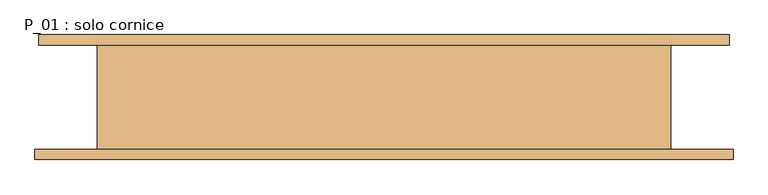
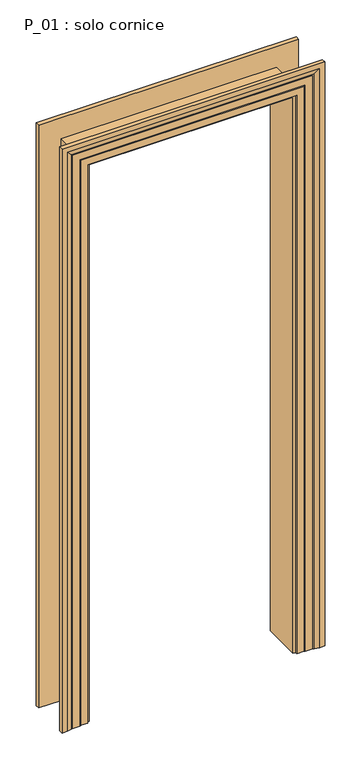
"""IFC4 building model written with IfcOpenShell, lengths in millimetres: door geometry, P_01 : solo cornice."""

import ifcopenshell
import ifcopenshell.guid

model = None  # the IFC model being written
_history = None  # IfcOwnerHistory: only IFC2X3 demands one
_inside = {}  # id of a spatial element -> (the spatial element, [elements in it])
_under = {}  # id of a project, library or spatial element -> (it, [spatial elements below it])
_declared = {}  # id of a project -> (the project, [libraries it declares])
_typed = {}  # id of a type object -> (the type object, [elements of that type])
_made_of = {}  # id of a material, layer set ... -> (it, [elements and type objects made of it])


def new_model(schema):
    """Start an empty IFC model of exactly this schema.

    Asked for "IFC4X3", IfcOpenShell would pick the latest addendum, in which some entities
    have other attributes; the version numbers below select the first issue.
    IFC2X3 requires an IfcOwnerHistory on every rooted entity: one is made here for all.
    """
    global model, _history
    if schema == "IFC4X3":
        model = ifcopenshell.file(schema_version=(4, 3, 0, 0))
    else:
        model = ifcopenshell.file(schema=schema)
    _inside.clear()
    _under.clear()
    _declared.clear()
    _typed.clear()
    _made_of.clear()
    _history = None
    if model.schema == "IFC2X3":
        org = make("IfcOrganization", Name="unknown")
        user = make(
            "IfcPersonAndOrganization",
            ThePerson=make("IfcPerson", FamilyName="unknown"),
            TheOrganization=org,
        )
        app = make(
            "IfcApplication",
            ApplicationDeveloper=org,
            Version="unknown",
            ApplicationFullName="unknown",
            ApplicationIdentifier="unknown",
        )
        _history = make(
            "IfcOwnerHistory",
            OwningUser=user,
            OwningApplication=app,
            ChangeAction="ADDED",
            CreationDate=0,
        )
    return model


def make(cls, **values):
    """One entity of the class cls with the attributes given. An attribute that is None is left unset."""
    return model.create_entity(
        cls, **{name: value for name, value in values.items() if value is not None}
    )


def rooted(cls, **values):
    """An entity with a GlobalId (a new one), such as an element, a storey or a relation."""
    return make(cls, GlobalId=ifcopenshell.guid.new(), OwnerHistory=_history, **values)


def si_unit(unit_type, name, prefix=None):
    """IfcSIUnit, for example si_unit("LENGTHUNIT", "METRE", prefix="MILLI")."""
    return make("IfcSIUnit", UnitType=unit_type, Prefix=prefix, Name=name)


def assignment(units):
    """IfcUnitAssignment: the units of a project."""
    return None if units is None else make("IfcUnitAssignment", Units=units)


def point(xyz):
    """IfcCartesianPoint."""
    return None if xyz is None else make("IfcCartesianPoint", Coordinates=xyz)


def direction(xyz):
    """IfcDirection."""
    return None if xyz is None else make("IfcDirection", DirectionRatios=xyz)


def frame(location, z_axis=None, x_axis=None):
    """IfcAxis2Placement3D, a coordinate frame: its origin and axes. An axis left out is left unset."""
    return make(
        "IfcAxis2Placement3D",
        Location=point(location),
        Axis=direction(z_axis),
        RefDirection=direction(x_axis),
    )


def origin():
    """The frame at (0, 0, 0) with its axes left unset."""
    return frame((0.0, 0.0, 0.0))


def place(relative_to, where):
    """IfcLocalPlacement: puts the frame where relative to a parent placement (None: the world)."""
    return make(
        "IfcLocalPlacement", PlacementRelTo=relative_to, RelativePlacement=where
    )


def context(
    kind, dimensions, precision=None, world=None, true_north=None, identifier=None
):
    """IfcGeometricRepresentationContext, for example the 3D "Model" context."""
    return make(
        "IfcGeometricRepresentationContext",
        ContextIdentifier=identifier,
        ContextType=kind,
        CoordinateSpaceDimension=dimensions,
        Precision=precision,
        WorldCoordinateSystem=world,
        TrueNorth=true_north,
    )


def project(units=None, contexts=None):
    """IfcProject with its units and contexts."""
    return rooted(
        "IfcProject",
        Name="project",
        RepresentationContexts=contexts,
        UnitsInContext=assignment(units),
    )


def spatial(cls, under=None, at=None, **own):
    """A site, building, storey or space (cls), placed at a placement, below another one or the project."""
    s = rooted(cls, ObjectPlacement=at, **own)
    if under is not None:
        _under.setdefault(under.id(), (under, []))[1].append(s)
    return s


def faces_of(points, faces, orient=None, outer=None):
    """IfcFace entities. A face is a list of loops; a loop is a list of indices into points, from 0.

    orient and outer hold one flag for each loop. By default every Orientation is true, the
    first loop of a face is its IfcFaceOuterBound and the others are IfcFaceBound.
    """
    made = []
    for i, loops in enumerate(faces):
        bounds = []
        for j, loop in enumerate(loops):
            is_outer = j == 0 if outer is None else outer[i][j]
            bounds.append(
                make(
                    "IfcFaceOuterBound" if is_outer else "IfcFaceBound",
                    Bound=make("IfcPolyLoop", Polygon=[points[k] for k in loop]),
                    Orientation=True if orient is None else orient[i][j],
                )
            )
        made.append(make("IfcFace", Bounds=bounds))
    return made


def faceted_brep(points, faces, orient=None, outer=None, voids=None):
    """IfcFacetedBrep: a solid bounded by flat faces; with voids (closed shells), ...WithVoids."""
    shared = [point(p) for p in points]
    hull = make("IfcClosedShell", CfsFaces=faces_of(shared, faces, orient, outer))
    if voids is None:
        return make("IfcFacetedBrep", Outer=hull)
    return make(
        "IfcFacetedBrepWithVoids",
        Outer=hull,
        Voids=[
            make(cls, CfsFaces=faces_of(shared, fs, o, b)) for cls, fs, o, b in voids
        ],
    )


def shape(context_of_items, identifier, shape_type, items):
    """IfcShapeRepresentation: the items that make up one representation, for example the "Body"."""
    return make(
        "IfcShapeRepresentation",
        ContextOfItems=context_of_items,
        RepresentationIdentifier=identifier,
        RepresentationType=shape_type,
        Items=items,
    )


def source(mapping_origin, context_of_items, identifier, shape_type, items):
    """IfcRepresentationMap: a shape defined once, which mapped items show again and again."""
    return make(
        "IfcRepresentationMap",
        MappingOrigin=mapping_origin,
        MappedRepresentation=shape(context_of_items, identifier, shape_type, items),
    )


def transform(
    local_origin,
    x_axis=None,
    y_axis=None,
    z_axis=None,
    scale=None,
    scale2=None,
    scale3=None,
    uniform=True,
):
    """IfcCartesianTransformationOperator3D, or its non-uniform kind. x_axis, y_axis, z_axis: its Axis1, 2, 3."""
    if uniform:
        return make(
            "IfcCartesianTransformationOperator3D",
            Axis1=direction(x_axis),
            Axis2=direction(y_axis),
            LocalOrigin=point(local_origin),
            Scale=scale,
            Axis3=direction(z_axis),
        )
    return make(
        "IfcCartesianTransformationOperator3DnonUniform",
        Axis1=direction(x_axis),
        Axis2=direction(y_axis),
        LocalOrigin=point(local_origin),
        Scale=scale,
        Axis3=direction(z_axis),
        Scale2=scale2,
        Scale3=scale3,
    )


def mapped(mapping_source, mapping_target):
    """IfcMappedItem: shows the shape of a source again, moved by a transform."""
    return make(
        "IfcMappedItem", MappingSource=mapping_source, MappingTarget=mapping_target
    )


def made_of(thing, what):
    """Note that an element or type object is made of a material, layer set ...; save() writes the relation."""
    if what is not None:
        _made_of.setdefault(what.id(), (what, []))[1].append(thing)
    return thing


def element(
    cls,
    number,
    at=None,
    inside=None,
    cuts=None,
    type_object=None,
    material=None,
    context=None,
    identifier="Body",
    shape_type=None,
    held_by="IfcProductDefinitionShape",
    body=None,
    shapes=None,
    **own,
):
    """One element of the class cls, such as IfcWall. Its Tag is "e" and its number.

    at: its placement. inside: the storey or other place that contains it. cuts: it is an
    opening in that element (IfcRelVoidsElement). A single representation is given by context,
    identifier, shape_type and body (its items); several are given by shapes. held_by: the class
    of the entity that holds the representations. save() writes the other relations.
    """
    e = rooted(cls, Tag="e%d" % number, ObjectPlacement=at, **own)
    if body is not None:
        shapes = [shape(context, identifier, shape_type, body)]
    if shapes is not None:
        e.Representation = make(held_by, Representations=shapes)
    if inside is not None:
        _inside.setdefault(inside.id(), (inside, []))[1].append(e)
    if cuts is not None:
        rooted(
            "IfcRelVoidsElement", RelatingBuildingElement=cuts, RelatedOpeningElement=e
        )
    if type_object is not None:
        _typed.setdefault(type_object.id(), (type_object, []))[1].append(e)
    return made_of(e, material)


def aggregate(whole, parts):
    """IfcRelAggregates: a whole, such as a stair, and the parts it consists of."""
    return rooted("IfcRelAggregates", RelatingObject=whole, RelatedObjects=parts)


def save(model, path):
    """Write the relations noted so far, then the file.

    IfcRelAggregates (storeys below a building ...), IfcRelContainedInSpatialStructure (elements
    in a storey), IfcRelDefinesByType, IfcRelAssociatesMaterial and IfcRelDeclares: one each for
    every whole, place, type object, material and project.
    """
    for whole, parts in _under.values():
        aggregate(whole, parts)
    for where, things in _inside.values():
        rooted(
            "IfcRelContainedInSpatialStructure",
            RelatedElements=things,
            RelatingStructure=where,
        )
    for kind, things in _typed.values():
        rooted("IfcRelDefinesByType", RelatedObjects=things, RelatingType=kind)
    for what, things in _made_of.values():
        rooted("IfcRelAssociatesMaterial", RelatedObjects=things, RelatingMaterial=what)
    for by, libraries in _declared.values():
        rooted("IfcRelDeclares", RelatingContext=by, RelatedDefinitions=libraries)
    model.write(path)


def p_01_solo_cornice_6435eeb2(model_context):
    return source(origin(), model_context, "Body", "Brep", [
        faceted_brep([(530.0, 80.0, 0.0), (440.0, 80.0, 0.0), (440.0, -80.0, 0.0), (536.0, -80.0, 0.0), (536.0, -96.0, 0.0), (516.0, -96.0, 0.0), (496.0, -92.0291126, 0.0), (496.0, -91.0291126, 0.0), (491.0, -91.0291126, 0.0), (491.0, -90.0291126, 0.0), (461.0, -90.0291126, 0.0), (461.0, -89.0291126, 0.0), (456.0, -89.0291126, 0.0), (456.0, -88.0291126, 0.0), (426.0, -88.0291126, 0.0), (426.0, -80.0, 0.0), (416.0, -80.0, 0.0), (416.0, 80.0, 0.0), (426.0, 80.0, 0.0), (426.0, 88.0291126, 0.0), (456.0, 88.0291126, 0.0), (456.0, 89.0291126, 0.0), (461.0, 89.0291126, 0.0), (461.0, 90.0291126, 0.0), (485.0, 90.0291126, 0.0), (485.0, 91.0291126, 0.0), (490.0, 91.0291126, 0.0), (490.0, 92.0291126, 0.0), (510.0, 96.0, 0.0), (530.0, 96.0, 0.0), (530.0, 80.0, 2510.0), (-530.0, 80.0, 2510.0), (-530.0, 80.0, 0.0), (-440.0, 80.0, 0.0), (-440.0, 80.0, 2420.0), (440.0, 80.0, 2420.0), (440.0, -80.0, 2420.0), (-440.0, -80.0, 2420.0), (-440.0, -80.0, 0.0), (-536.0, -80.0, 0.0), (-536.0, -80.0, 2516.0), (536.0, -80.0, 2516.0), (536.0, -96.0, 2516.0), (-536.0, -96.0, 2516.0), (-536.0, -96.0, 0.0), (-516.0, -96.0, 0.0), (-516.0, -96.0, 2496.0), (516.0, -96.0, 2496.0), (496.0, -92.0291126, 2476.0), (496.0, -91.0291126, 2476.0), (-496.0, -91.0291126, 2476.0), (-496.0, -91.0291126, 0.0), (-491.0, -91.0291126, 0.0), (-491.0, -91.0291126, 2471.0), (491.0, -91.0291126, 2471.0), (491.0, -90.0291126, 2471.0), (-491.0, -90.0291126, 2471.0), (-491.0, -90.0291126, 0.0), (-461.0, -90.0291126, 0.0), (-461.0, -90.0291126, 2441.0), (461.0, -90.0291126, 2441.0), (461.0, -89.0291126, 2441.0), (-461.0, -89.0291126, 2441.0), (-461.0, -89.0291126, 0.0), (-456.0, -89.0291126, 0.0), (-456.0, -89.0291126, 2436.0), (456.0, -89.0291126, 2436.0), (456.0, -88.0291126, 2436.0), (-456.0, -88.0291126, 2436.0), (-456.0, -88.0291126, 0.0), (-426.0, -88.0291126, 0.0), (-426.0, -88.0291126, 2406.0), (426.0, -88.0291126, 2406.0), (426.0, -80.0, 2406.0), (-426.0, -80.0, 2406.0), (-426.0, -80.0, 0.0), (-416.0, -80.0, 0.0), (-416.0, -80.0, 2396.0), (416.0, -80.0, 2396.0), (416.0, 80.0, 2396.0), (-416.0, 80.0, 2396.0), (-416.0, 80.0, 0.0), (-426.0, 80.0, 0.0), (-426.0, 80.0, 2406.0), (426.0, 80.0, 2406.0), (426.0, 88.0291126, 2406.0), (-426.0, 88.0291126, 2406.0), (-426.0, 88.0291126, 0.0), (-456.0, 88.0291126, 0.0), (-456.0, 88.0291126, 2436.0), (456.0, 88.0291126, 2436.0), (456.0, 89.0291126, 2436.0), (-456.0, 89.0291126, 2436.0), (-456.0, 89.0291126, 0.0), (-461.0, 89.0291126, 0.0), (-461.0, 89.0291126, 2441.0), (461.0, 89.0291126, 2441.0), (461.0, 90.0291126, 2441.0), (-461.0, 90.0291126, 2441.0), (-461.0, 90.0291126, 0.0), (-485.0, 90.0291126, 0.0), (-485.0, 90.0291126, 2465.0), (485.0, 90.0291126, 2465.0), (485.0, 91.0291126, 2465.0), (-485.0, 91.0291126, 2465.0), (-485.0, 91.0291126, 0.0), (-490.0, 91.0291126, 0.0), (-490.0, 91.0291126, 2470.0), (490.0, 91.0291126, 2470.0), (490.0, 92.0291126, 2470.0), (510.0, 96.0, 2490.0), (-510.0, 96.0, 2490.0), (-510.0, 96.0, 0.0), (-530.0, 96.0, 0.0), (-530.0, 96.0, 2510.0), (530.0, 96.0, 2510.0), (-490.0, 92.0291126, 0.0), (-496.0, -92.0291126, 0.0), (-490.0, 92.0291126, 2470.0), (-496.0, -92.0291126, 2476.0)], [[[0, 1, 2, 3, 4, 5, 6, 7, 8, 9, 10, 11, 12, 13, 14, 15, 16, 17, 18, 19, 20, 21, 22, 23, 24, 25, 26, 27, 28, 29]], [[1, 0, 30, 31, 32, 33, 34, 35]], [[2, 1, 35, 36]], [[3, 2, 36, 37, 38, 39, 40, 41]], [[4, 3, 41, 42]], [[5, 4, 42, 43, 44, 45, 46, 47]], [[6, 5, 47, 48]], [[7, 6, 48, 49]], [[8, 7, 49, 50, 51, 52, 53, 54]], [[9, 8, 54, 55]], [[10, 9, 55, 56, 57, 58, 59, 60]], [[11, 10, 60, 61]], [[12, 11, 61, 62, 63, 64, 65, 66]], [[13, 12, 66, 67]], [[14, 13, 67, 68, 69, 70, 71, 72]], [[15, 14, 72, 73]], [[16, 15, 73, 74, 75, 76, 77, 78]], [[17, 16, 78, 79]], [[18, 17, 79, 80, 81, 82, 83, 84]], [[19, 18, 84, 85]], [[20, 19, 85, 86, 87, 88, 89, 90]], [[21, 20, 90, 91]], [[22, 21, 91, 92, 93, 94, 95, 96]], [[23, 22, 96, 97]], [[24, 23, 97, 98, 99, 100, 101, 102]], [[25, 24, 102, 103]], [[26, 25, 103, 104, 105, 106, 107, 108]], [[27, 26, 108, 109]], [[28, 27, 109, 110]], [[29, 28, 110, 111, 112, 113, 114, 115]], [[0, 29, 115, 30]], [[31, 114, 113, 32]], [[32, 113, 112, 116, 106, 105, 100, 99, 94, 93, 88, 87, 82, 81, 76, 75, 70, 69, 64, 63, 58, 57, 52, 51, 117, 45, 44, 39, 38, 33]], [[37, 34, 33, 38]], [[74, 71, 70, 75]], [[80, 77, 76, 81]], [[86, 83, 82, 87]], [[111, 118, 116, 112]], [[118, 107, 106, 116]], [[104, 101, 100, 105]], [[98, 95, 94, 99]], [[92, 89, 88, 93]], [[68, 65, 64, 69]], [[62, 59, 58, 63]], [[56, 53, 52, 57]], [[50, 119, 117, 51]], [[119, 46, 45, 117]], [[43, 40, 39, 44]], [[30, 115, 114, 31]], [[36, 35, 34, 37]], [[73, 72, 71, 74]], [[79, 78, 77, 80]], [[85, 84, 83, 86]], [[91, 90, 89, 92]], [[97, 96, 95, 98]], [[103, 102, 101, 104]], [[109, 108, 107, 118]], [[110, 109, 118, 111]], [[42, 41, 40, 43]], [[48, 47, 46, 119]], [[49, 48, 119, 50]], [[55, 54, 53, 56]], [[61, 60, 59, 62]], [[67, 66, 65, 68]]]),
    ])


if __name__ == "__main__":
    model = new_model("IFC4")
    model_context = context("Model", 3, world=origin())
    ifc_project = project(units=[si_unit("LENGTHUNIT", "METRE", prefix="MILLI")], contexts=[model_context])
    site = spatial("IfcSite", under=ifc_project)
    building = spatial("IfcBuilding", under=site)
    placement = place(None, origin())
    p_01_solo_cornice_shape = p_01_solo_cornice_6435eeb2(model_context)
    element("IfcDoor", 1, ObjectType="P_01 : solo cornice", at=placement, inside=building, context=model_context, shape_type="MappedRepresentation", body=[
        mapped(p_01_solo_cornice_shape, transform((0.0, 0.0, 0.0), x_axis=(1.0, 0.0, 0.0), y_axis=(0.0, 1.0, 0.0), z_axis=(0.0, 0.0, 1.0))),
    ])
    save(model, "model.ifc")
